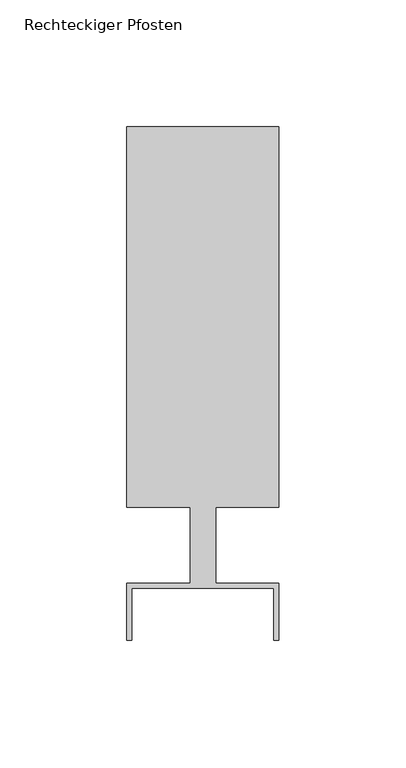
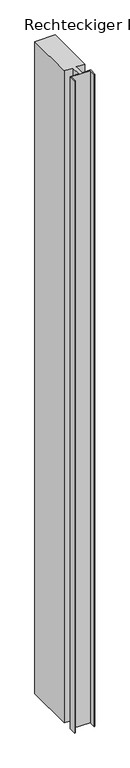
"""IFC4 building model written with IfcOpenShell, lengths in millimetres: member geometry, Rechteckiger Pfosten."""

import ifcopenshell
import ifcopenshell.guid

model = None  # the IFC model being written
_history = None  # IfcOwnerHistory: only IFC2X3 demands one
_inside = {}  # id of a spatial element -> (the spatial element, [elements in it])
_under = {}  # id of a project, library or spatial element -> (it, [spatial elements below it])
_declared = {}  # id of a project -> (the project, [libraries it declares])
_typed = {}  # id of a type object -> (the type object, [elements of that type])
_made_of = {}  # id of a material, layer set ... -> (it, [elements and type objects made of it])


def new_model(schema):
    """Start an empty IFC model of exactly this schema.

    Asked for "IFC4X3", IfcOpenShell would pick the latest addendum, in which some entities
    have other attributes; the version numbers below select the first issue.
    IFC2X3 requires an IfcOwnerHistory on every rooted entity: one is made here for all.
    """
    global model, _history
    if schema == "IFC4X3":
        model = ifcopenshell.file(schema_version=(4, 3, 0, 0))
    else:
        model = ifcopenshell.file(schema=schema)
    _inside.clear()
    _under.clear()
    _declared.clear()
    _typed.clear()
    _made_of.clear()
    _history = None
    if model.schema == "IFC2X3":
        org = make("IfcOrganization", Name="unknown")
        user = make(
            "IfcPersonAndOrganization",
            ThePerson=make("IfcPerson", FamilyName="unknown"),
            TheOrganization=org,
        )
        app = make(
            "IfcApplication",
            ApplicationDeveloper=org,
            Version="unknown",
            ApplicationFullName="unknown",
            ApplicationIdentifier="unknown",
        )
        _history = make(
            "IfcOwnerHistory",
            OwningUser=user,
            OwningApplication=app,
            ChangeAction="ADDED",
            CreationDate=0,
        )
    return model


def make(cls, **values):
    """One entity of the class cls with the attributes given. An attribute that is None is left unset."""
    return model.create_entity(
        cls, **{name: value for name, value in values.items() if value is not None}
    )


def rooted(cls, **values):
    """An entity with a GlobalId (a new one), such as an element, a storey or a relation."""
    return make(cls, GlobalId=ifcopenshell.guid.new(), OwnerHistory=_history, **values)


def si_unit(unit_type, name, prefix=None):
    """IfcSIUnit, for example si_unit("LENGTHUNIT", "METRE", prefix="MILLI")."""
    return make("IfcSIUnit", UnitType=unit_type, Prefix=prefix, Name=name)


def assignment(units):
    """IfcUnitAssignment: the units of a project."""
    return None if units is None else make("IfcUnitAssignment", Units=units)


def point(xyz):
    """IfcCartesianPoint."""
    return None if xyz is None else make("IfcCartesianPoint", Coordinates=xyz)


def direction(xyz):
    """IfcDirection."""
    return None if xyz is None else make("IfcDirection", DirectionRatios=xyz)


def frame(location, z_axis=None, x_axis=None):
    """IfcAxis2Placement3D, a coordinate frame: its origin and axes. An axis left out is left unset."""
    return make(
        "IfcAxis2Placement3D",
        Location=point(location),
        Axis=direction(z_axis),
        RefDirection=direction(x_axis),
    )


def origin():
    """The frame at (0, 0, 0) with its axes left unset."""
    return frame((0.0, 0.0, 0.0))


def place(relative_to, where):
    """IfcLocalPlacement: puts the frame where relative to a parent placement (None: the world)."""
    return make(
        "IfcLocalPlacement", PlacementRelTo=relative_to, RelativePlacement=where
    )


def context(
    kind, dimensions, precision=None, world=None, true_north=None, identifier=None
):
    """IfcGeometricRepresentationContext, for example the 3D "Model" context."""
    return make(
        "IfcGeometricRepresentationContext",
        ContextIdentifier=identifier,
        ContextType=kind,
        CoordinateSpaceDimension=dimensions,
        Precision=precision,
        WorldCoordinateSystem=world,
        TrueNorth=true_north,
    )


def project(units=None, contexts=None):
    """IfcProject with its units and contexts."""
    return rooted(
        "IfcProject",
        Name="project",
        RepresentationContexts=contexts,
        UnitsInContext=assignment(units),
    )


def spatial(cls, under=None, at=None, **own):
    """A site, building, storey or space (cls), placed at a placement, below another one or the project."""
    s = rooted(cls, ObjectPlacement=at, **own)
    if under is not None:
        _under.setdefault(under.id(), (under, []))[1].append(s)
    return s


def polyline(points):
    """IfcPolyline through the points."""
    return make("IfcPolyline", Points=[point(p) for p in points])


def outline(outer, holes=None, kind="AREA"):
    """IfcArbitraryClosedProfileDef: a profile drawn as a closed curve; with holes, ...WithVoids."""
    if holes is None:
        return make("IfcArbitraryClosedProfileDef", ProfileType=kind, OuterCurve=outer)
    return make(
        "IfcArbitraryProfileDefWithVoids",
        ProfileType=kind,
        OuterCurve=outer,
        InnerCurves=holes,
    )


def extrude(swept, where, along, depth):
    """IfcExtrudedAreaSolid: the profile swept, set in the frame where, extruded along a direction by depth."""
    return make(
        "IfcExtrudedAreaSolid",
        SweptArea=swept,
        Position=where,
        ExtrudedDirection=direction(along),
        Depth=depth,
    )


def shape(context_of_items, identifier, shape_type, items):
    """IfcShapeRepresentation: the items that make up one representation, for example the "Body"."""
    return make(
        "IfcShapeRepresentation",
        ContextOfItems=context_of_items,
        RepresentationIdentifier=identifier,
        RepresentationType=shape_type,
        Items=items,
    )


def source(mapping_origin, context_of_items, identifier, shape_type, items):
    """IfcRepresentationMap: a shape defined once, which mapped items show again and again."""
    return make(
        "IfcRepresentationMap",
        MappingOrigin=mapping_origin,
        MappedRepresentation=shape(context_of_items, identifier, shape_type, items),
    )


def transform(
    local_origin,
    x_axis=None,
    y_axis=None,
    z_axis=None,
    scale=None,
    scale2=None,
    scale3=None,
    uniform=True,
):
    """IfcCartesianTransformationOperator3D, or its non-uniform kind. x_axis, y_axis, z_axis: its Axis1, 2, 3."""
    if uniform:
        return make(
            "IfcCartesianTransformationOperator3D",
            Axis1=direction(x_axis),
            Axis2=direction(y_axis),
            LocalOrigin=point(local_origin),
            Scale=scale,
            Axis3=direction(z_axis),
        )
    return make(
        "IfcCartesianTransformationOperator3DnonUniform",
        Axis1=direction(x_axis),
        Axis2=direction(y_axis),
        LocalOrigin=point(local_origin),
        Scale=scale,
        Axis3=direction(z_axis),
        Scale2=scale2,
        Scale3=scale3,
    )


def mapped(mapping_source, mapping_target):
    """IfcMappedItem: shows the shape of a source again, moved by a transform."""
    return make(
        "IfcMappedItem", MappingSource=mapping_source, MappingTarget=mapping_target
    )


def made_of(thing, what):
    """Note that an element or type object is made of a material, layer set ...; save() writes the relation."""
    if what is not None:
        _made_of.setdefault(what.id(), (what, []))[1].append(thing)
    return thing


def element(
    cls,
    number,
    at=None,
    inside=None,
    cuts=None,
    type_object=None,
    material=None,
    context=None,
    identifier="Body",
    shape_type=None,
    held_by="IfcProductDefinitionShape",
    body=None,
    shapes=None,
    **own,
):
    """One element of the class cls, such as IfcWall. Its Tag is "e" and its number.

    at: its placement. inside: the storey or other place that contains it. cuts: it is an
    opening in that element (IfcRelVoidsElement). A single representation is given by context,
    identifier, shape_type and body (its items); several are given by shapes. held_by: the class
    of the entity that holds the representations. save() writes the other relations.
    """
    e = rooted(cls, Tag="e%d" % number, ObjectPlacement=at, **own)
    if body is not None:
        shapes = [shape(context, identifier, shape_type, body)]
    if shapes is not None:
        e.Representation = make(held_by, Representations=shapes)
    if inside is not None:
        _inside.setdefault(inside.id(), (inside, []))[1].append(e)
    if cuts is not None:
        rooted(
            "IfcRelVoidsElement", RelatingBuildingElement=cuts, RelatedOpeningElement=e
        )
    if type_object is not None:
        _typed.setdefault(type_object.id(), (type_object, []))[1].append(e)
    return made_of(e, material)


def aggregate(whole, parts):
    """IfcRelAggregates: a whole, such as a stair, and the parts it consists of."""
    return rooted("IfcRelAggregates", RelatingObject=whole, RelatedObjects=parts)


def save(model, path):
    """Write the relations noted so far, then the file.

    IfcRelAggregates (storeys below a building ...), IfcRelContainedInSpatialStructure (elements
    in a storey), IfcRelDefinesByType, IfcRelAssociatesMaterial and IfcRelDeclares: one each for
    every whole, place, type object, material and project.
    """
    for whole, parts in _under.values():
        aggregate(whole, parts)
    for where, things in _inside.values():
        rooted(
            "IfcRelContainedInSpatialStructure",
            RelatedElements=things,
            RelatingStructure=where,
        )
    for kind, things in _typed.values():
        rooted("IfcRelDefinesByType", RelatedObjects=things, RelatingType=kind)
    for what, things in _made_of.values():
        rooted("IfcRelAssociatesMaterial", RelatedObjects=things, RelatingMaterial=what)
    for by, libraries in _declared.values():
        rooted("IfcRelDeclares", RelatingContext=by, RelatedDefinitions=libraries)
    model.write(path)


def rechteckiger_pfosten_098bee22(model_context):
    return source(origin(), model_context, "Body", "SweptSolid", [
        extrude(outline(polyline([(28.0, -37.5), (28.0, -17.0), (-28.0, -17.0), (-28.0, -37.5), (-30.0, -37.5), (-30.0, -15.0), (-5.0, -15.0), (-5.0, 15.0), (-30.0, 15.0), (-30.0, 165.0), (30.0, 165.0), (30.0, 15.0), (5.0, 15.0), (5.0, -15.0), (30.0, -15.0), (30.0, -37.5), (28.0, -37.5)])), frame((0.0, 0.0, -2030.0), z_axis=(0.0, 0.0, 1.0), x_axis=(1.0, 0.0, 0.0)), (0.0, 0.0, 1.0), 2030.0),
    ])


if __name__ == "__main__":
    model = new_model("IFC4")
    model_context = context("Model", 3, world=origin())
    ifc_project = project(units=[si_unit("LENGTHUNIT", "METRE", prefix="MILLI")], contexts=[model_context])
    site = spatial("IfcSite", under=ifc_project)
    building = spatial("IfcBuilding", under=site)
    placement = place(None, origin())
    rechteckiger_pfosten_shape = rechteckiger_pfosten_098bee22(model_context)
    element("IfcMember", 1, ObjectType="Rechteckiger Pfosten", at=placement, inside=building, context=model_context, shape_type="MappedRepresentation", body=[
        mapped(rechteckiger_pfosten_shape, transform((0.0, 0.0, 0.0), x_axis=(1.0, 0.0, 0.0), y_axis=(0.0, 1.0, 0.0), z_axis=(0.0, 0.0, 1.0))),
    ])
    save(model, "model.ifc")
